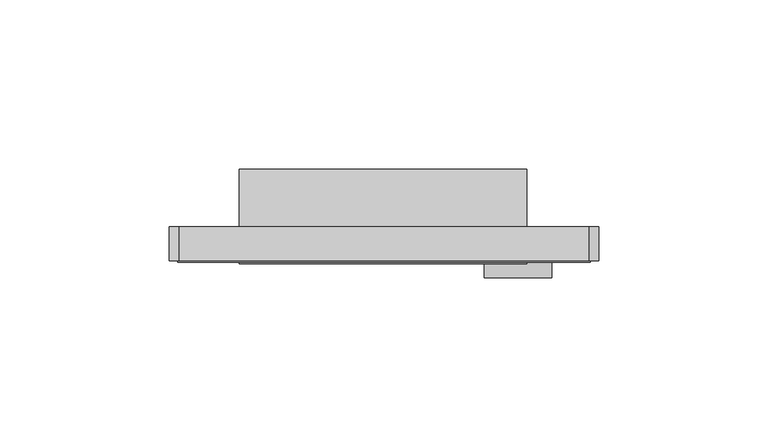
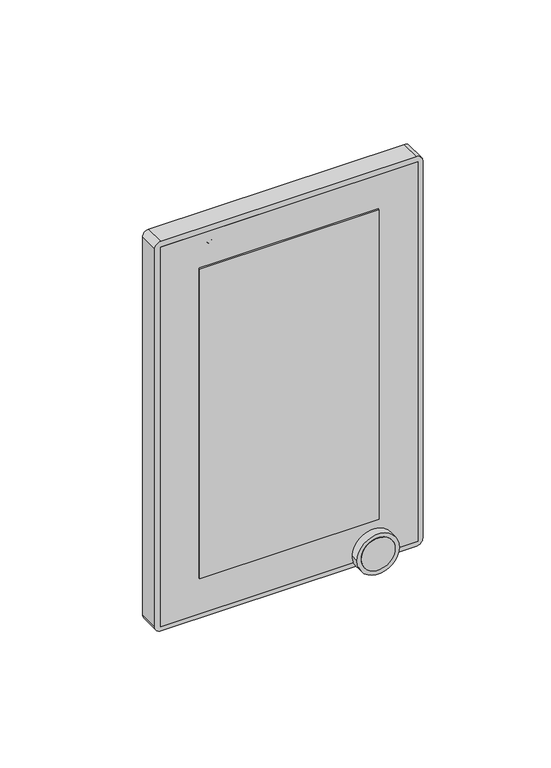
"""IFC4 building model written with IfcOpenShell, lengths in millimetres: proxy geometry."""

from ifc_helpers import new_model, si_unit, point, frame, frame_2d, origin, place, context, project, spatial, polyline, circle_curve, trimmed, segment, composite_curve, outline, extrude, source, transform, mapped, element, save


def communication_devices_511f8684(model_context):
    return source(origin(), model_context, "Body", "SweptSolid", [
        extrude(outline(polyline([(42.259054, -11.0), (-42.740946, -11.0), (-42.740946, -10.0), (42.259054, -10.0), (42.259054, -11.0)])), frame((0.0, 0.0, 1020.500267), z_axis=(0.0, 0.0, 1.0), x_axis=(1.0, 0.0, 0.0)), (0.0, 0.0, 1.0), 155.0),
        extrude(outline(polyline([(42.259054, 0.0), (-42.740946, 0.0), (-42.740946, 17.0), (42.259054, 17.0), (42.259054, 0.0)])), frame((0.0, 0.0, 1020.500267), z_axis=(0.0, 0.0, 1.0), x_axis=(1.0, 0.0, 0.0)), (0.0, 0.0, 1.0), 155.0),
        extrude(outline(composite_curve([segment(polyline([(1195.0, 60.5), (1195.0, -60.5)]), True, "CONTINUOUS"), segment(trimmed(circle_curve(frame_2d((1192.0, -60.5)), 3.0), [point((1195.0, -60.5))], [point((1192.0, -63.5))], False, "CARTESIAN"), True, "CONTINUOUS"), segment(polyline([(1192.0, -63.5), (1003.0, -63.5)]), True, "CONTINUOUS"), segment(trimmed(circle_curve(frame_2d((1003.0, -60.5)), 3.0), [point((1003.0, -63.5))], [point((1000.0, -60.5))], False, "CARTESIAN"), True, "CONTINUOUS"), segment(polyline([(1000.0, -60.5), (1000.0, 60.5)]), True, "CONTINUOUS"), segment(trimmed(circle_curve(frame_2d((1003.0, 60.5)), 3.0), [point((1000.0, 60.5))], [point((1003.0, 63.5))], False, "CARTESIAN"), True, "CONTINUOUS"), segment(polyline([(1003.0, 63.5), (1192.0, 63.5)]), True, "CONTINUOUS"), segment(trimmed(circle_curve(frame_2d((1192.0, 60.5)), 3.0), [point((1192.0, 63.5))], [point((1195.0, 60.5))], False, "CARTESIAN"), True, "CONTINUOUS")], self_intersect=False), holes=[composite_curve([segment(trimmed(circle_curve(frame_2d((1187.1850633, -37.5988889)), 1.0), [point((1187.1850633, -36.5988889))], [point((1187.1850633, -38.5988889))], True, "CARTESIAN"), True, "CONTINUOUS"), segment(trimmed(circle_curve(frame_2d((1187.1850633, -37.5988889)), 1.0), [point((1187.1850633, -38.5988889))], [point((1187.1850633, -36.5988889))], True, "CARTESIAN"), True, "CONTINUOUS")], self_intersect=False)]), frame((0.0, -10.0, 0.0), z_axis=(0.0, 1.0, 0.0), x_axis=(0.0, 0.0, 1.0)), (0.0, 0.0, 1.0), 10.0),
        extrude(outline(polyline([(61.0, -10.5), (-61.0, -10.5), (-61.0, -9.5), (61.0, -9.5), (61.0, -10.5)])), frame((0.0, 0.0, 1002.5), z_axis=(0.0, 0.0, 1.0), x_axis=(1.0, 0.0, 0.0)), (0.0, 0.0, 1.0), 190.0),
        extrude(outline(composite_curve([segment(trimmed(circle_curve(frame_2d((1006.4375, 39.5815871)), 8.0), [point((1006.4375, 31.5815871))], [point((1006.4375, 47.5815871))], False, "CARTESIAN"), True, "CONTINUOUS"), segment(trimmed(circle_curve(frame_2d((1006.4375, 39.5815871)), 8.0), [point((1006.4375, 47.5815871))], [point((1006.4375, 31.5815871))], False, "CARTESIAN"), True, "CONTINUOUS")], self_intersect=False)), frame((0.0, -15.0, 0.0), z_axis=(0.0, 1.0, 0.0), x_axis=(0.0, 0.0, 1.0)), (0.0, 0.0, 1.0), 4.0),
        extrude(outline(composite_curve([segment(trimmed(circle_curve(frame_2d((1006.4375, 39.5815871)), 10.0), [point((1006.4375, 29.5815871))], [point((1006.4375, 49.5815871))], False, "CARTESIAN"), True, "CONTINUOUS"), segment(trimmed(circle_curve(frame_2d((1006.4375, 39.5815871)), 10.0), [point((1006.4375, 49.5815871))], [point((1006.4375, 29.5815871))], False, "CARTESIAN"), True, "CONTINUOUS")], self_intersect=False), holes=[composite_curve([segment(trimmed(circle_curve(frame_2d((1006.4375, 39.5815871)), 8.0), [point((1006.4375, 31.5815871))], [point((1006.4375, 47.5815871))], True, "CARTESIAN"), True, "CONTINUOUS"), segment(trimmed(circle_curve(frame_2d((1006.4375, 39.5815871)), 8.0), [point((1006.4375, 47.5815871))], [point((1006.4375, 31.5815871))], True, "CARTESIAN"), True, "CONTINUOUS")], self_intersect=False)]), frame((0.0, -15.0, 0.0), z_axis=(0.0, 1.0, 0.0), x_axis=(0.0, 0.0, 1.0)), (0.0, 0.0, 1.0), 5.0),
    ])


if __name__ == "__main__":
    model = new_model("IFC4")
    model_context = context("Model", 3, world=origin())
    ifc_project = project(units=[si_unit("LENGTHUNIT", "METRE", prefix="MILLI")], contexts=[model_context])
    site = spatial("IfcSite", under=ifc_project)
    building = spatial("IfcBuilding", under=site)
    placement = place(None, origin())
    communication_devices_shape = communication_devices_511f8684(model_context)
    element("IfcBuildingElementProxy", 1, Name="Communication Devices", at=placement, inside=building, context=model_context, shape_type="MappedRepresentation", body=[
        mapped(communication_devices_shape, transform((0.0, 0.0, 0.0), x_axis=(1.0, 0.0, 0.0), y_axis=(0.0, 1.0, 0.0), z_axis=(0.0, 0.0, 1.0))),
    ])
    save(model, "model.ifc")
